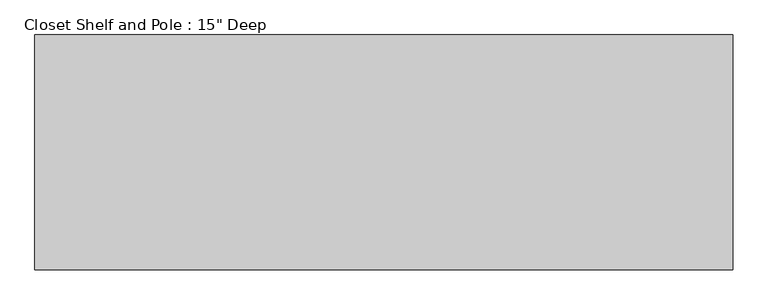
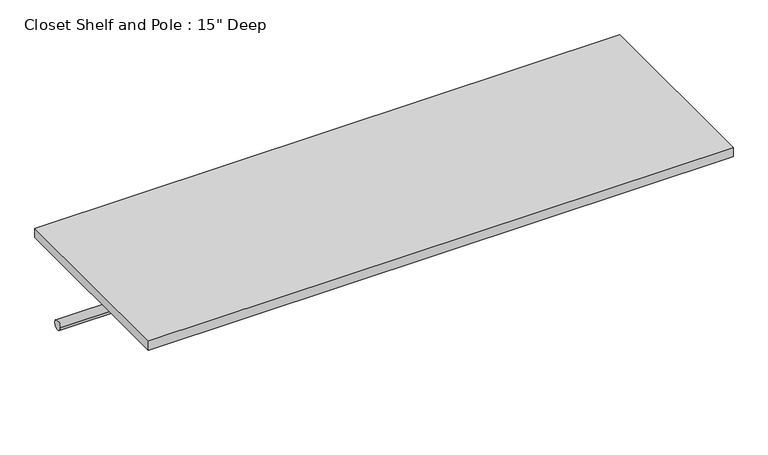
"""IFC4 building model written with IfcOpenShell, lengths in millimetres: proxy geometry."""

from ifc_helpers import new_model, si_unit, point, frame, frame_2d, origin, place, context, project, spatial, polyline, circle_curve, trimmed, segment, composite_curve, outline, extrude, source, transform, mapped, element, save


def proxy_c41d2bac(model_context):
    return source(origin(), model_context, "Body", "SweptSolid", [
        extrude(outline(composite_curve([segment(trimmed(circle_curve(frame_2d((304.8, 1676.4)), 9.525), [point((314.325, 1676.4))], [point((295.275, 1676.4))], False, "CARTESIAN"), True, "CONTINUOUS"), segment(trimmed(circle_curve(frame_2d((304.8, 1676.4)), 9.525), [point((295.275, 1676.4))], [point((314.325, 1676.4))], False, "CARTESIAN"), True, "CONTINUOUS")], self_intersect=False)), frame((0.0, 0.0, 0.0), z_axis=(1.0, 0.0, 0.0), x_axis=(0.0, 1.0, 0.0)), (0.0, 0.0, 1.0), 1132.9318601),
        extrude(outline(polyline([(1132.9318601, 0.0), (0.0, 0.0), (0.0, 381.0), (1132.9318601, 381.0), (1132.9318601, 0.0)])), frame((0.0, 0.0, 1809.75), z_axis=(0.0, 0.0, 1.0), x_axis=(1.0, 0.0, 0.0)), (0.0, 0.0, 1.0), 19.05),
    ])


if __name__ == "__main__":
    model = new_model("IFC4")
    model_context = context("Model", 3, world=origin())
    ifc_project = project(units=[si_unit("LENGTHUNIT", "METRE", prefix="MILLI")], contexts=[model_context])
    site = spatial("IfcSite", under=ifc_project)
    building = spatial("IfcBuilding", under=site)
    placement = place(None, origin())
    proxy_shape = proxy_c41d2bac(model_context)
    element("IfcBuildingElementProxy", 1, Name="Closet Shelf and Pole : 15\" Deep", ObjectType="Closet Shelf and Pole : 15\" Deep", at=placement, inside=building, context=model_context, shape_type="MappedRepresentation", body=[
        mapped(proxy_shape, transform((0.0, 0.0, 0.0), x_axis=(1.0, 0.0, 0.0), y_axis=(0.0, 1.0, 0.0), z_axis=(0.0, 0.0, 1.0))),
    ])
    save(model, "model.ifc")
